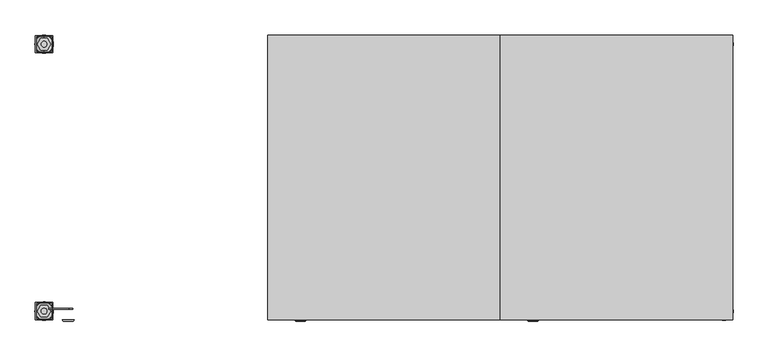
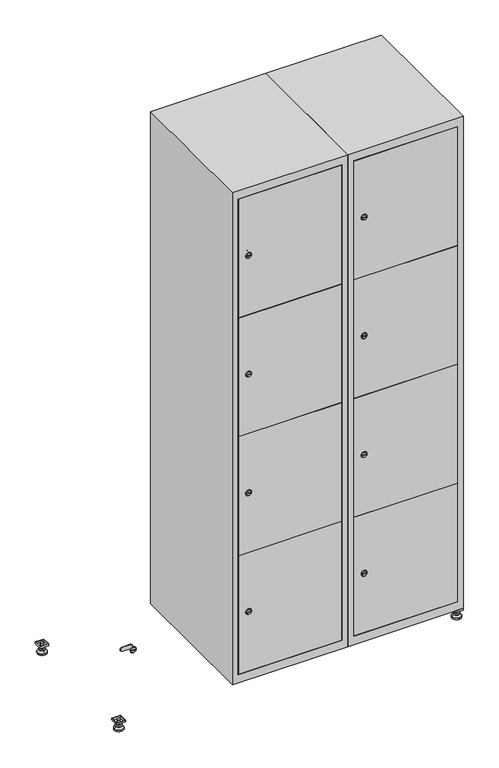
"""IFC4 building model written with IfcOpenShell, lengths in millimetres: furniture geometry."""

from ifc_helpers import new_model, si_unit, point, frame, frame_2d, origin, origin_with_axes, place, context, project, spatial, polyline, circle_curve, trimmed, segment, composite_curve, outline, extrude, faceted_brep, source, transform, mapped, element, save
from ifc_brep_helpers import plane_surface, revolved_surface, advanced_brep


def furniture_d6136ace(model_context):
    return source(origin(), model_context, "Body", "SolidModel", [
        extrude(outline(polyline([(1000.0, 245.0), (1000.0, 215.0), (970.0, 215.0), (970.0, 245.0), (1000.0, 245.0)]), holes=[polyline([(998.0, 243.0), (972.0, 243.0), (972.0, 217.0), (998.0, 217.0), (998.0, 243.0)])]), frame((0.0, 0.0, 28.5), z_axis=(0.0, 0.0, 1.0), x_axis=(1.0, 0.0, 0.0)), (0.0, 0.0, 1.0), 6.5),
        extrude(outline(polyline([(970.0, -245.0), (970.0, -215.0), (1000.0, -215.0), (1000.0, -245.0), (970.0, -245.0)]), holes=[polyline([(972.0, -243.0), (998.0, -243.0), (998.0, -217.0), (972.0, -217.0), (972.0, -243.0)])]), frame((0.0, 0.0, 28.5), z_axis=(0.0, 0.0, 1.0), x_axis=(1.0, 0.0, 0.0)), (0.0, 0.0, 1.0), 6.5),
        extrude(outline(polyline([(-170.0, 245.0), (-170.0, 215.0), (-200.0, 215.0), (-200.0, 245.0), (-170.0, 245.0)]), holes=[polyline([(-172.0, 243.0), (-198.0, 243.0), (-198.0, 217.0), (-172.0, 217.0), (-172.0, 243.0)])]), frame((0.0, 0.0, 28.5), z_axis=(0.0, 0.0, 1.0), x_axis=(1.0, 0.0, 0.0)), (0.0, 0.0, 1.0), 6.5),
        extrude(outline(polyline([(-170.0, -215.0), (-170.0, -245.0), (-200.0, -245.0), (-200.0, -215.0), (-170.0, -215.0)]), holes=[polyline([(-198.0, -243.0), (-172.0, -243.0), (-172.0, -217.0), (-198.0, -217.0), (-198.0, -243.0)])]), frame((0.0, 0.0, 28.5), z_axis=(0.0, 0.0, 1.0), x_axis=(1.0, 0.0, 0.0)), (0.0, 0.0, 1.0), 6.5),
        extrude(outline(composite_curve([segment(trimmed(circle_curve(frame_2d((-185.0, 230.0)), 5.0), [point((-180.0, 230.0))], [point((-190.0, 230.0))], False, "CARTESIAN"), True, "CONTINUOUS"), segment(trimmed(circle_curve(frame_2d((-185.0, 230.0)), 5.0), [point((-190.0, 230.0))], [point((-180.0, 230.0))], False, "CARTESIAN"), True, "CONTINUOUS")], self_intersect=False)), frame((0.0, 0.0, 19.6), z_axis=(0.0, 0.0, 1.0), x_axis=(1.0, 0.0, 0.0)), (0.0, 0.0, 1.0), 15.4),
        extrude(outline(composite_curve([segment(trimmed(circle_curve(frame_2d((-185.0, -230.0)), 5.0), [point((-180.0, -230.0))], [point((-190.0, -230.0))], False, "CARTESIAN"), True, "CONTINUOUS"), segment(trimmed(circle_curve(frame_2d((-185.0, -230.0)), 5.0), [point((-190.0, -230.0))], [point((-180.0, -230.0))], False, "CARTESIAN"), True, "CONTINUOUS")], self_intersect=False)), frame((0.0, 0.0, 19.6), z_axis=(0.0, 0.0, 1.0), x_axis=(1.0, 0.0, 0.0)), (0.0, 0.0, 1.0), 15.4),
        extrude(outline(composite_curve([segment(trimmed(circle_curve(frame_2d((985.0, 230.0)), 5.0), [point((990.0, 230.0))], [point((980.0, 230.0))], False, "CARTESIAN"), True, "CONTINUOUS"), segment(trimmed(circle_curve(frame_2d((985.0, 230.0)), 5.0), [point((980.0, 230.0))], [point((990.0, 230.0))], False, "CARTESIAN"), True, "CONTINUOUS")], self_intersect=False)), frame((0.0, 0.0, 19.6), z_axis=(0.0, 0.0, 1.0), x_axis=(1.0, 0.0, 0.0)), (0.0, 0.0, 1.0), 15.4),
        extrude(outline(polyline([(973.4529946, 230.0), (979.2264973, 240.0), (990.7735027, 240.0), (996.5470054, 230.0), (990.7735027, 220.0), (979.2264973, 220.0), (973.4529946, 230.0)])), frame((0.0, 0.0, 13.6), z_axis=(0.0, 0.0, 1.0), x_axis=(1.0, 0.0, 0.0)), (0.0, 0.0, 1.0), 6.0),
        extrude(outline(composite_curve([segment(trimmed(circle_curve(frame_2d((985.0, -230.0)), 5.0), [point((990.0, -230.0))], [point((980.0, -230.0))], False, "CARTESIAN"), True, "CONTINUOUS"), segment(trimmed(circle_curve(frame_2d((985.0, -230.0)), 5.0), [point((980.0, -230.0))], [point((990.0, -230.0))], False, "CARTESIAN"), True, "CONTINUOUS")], self_intersect=False)), frame((0.0, 0.0, 19.6), z_axis=(0.0, 0.0, 1.0), x_axis=(1.0, 0.0, 0.0)), (0.0, 0.0, 1.0), 15.4),
        extrude(outline(polyline([(973.4529946, -230.0), (979.2264973, -220.0), (990.7735027, -220.0), (996.5470054, -230.0), (990.7735027, -240.0), (979.2264973, -240.0), (973.4529946, -230.0)])), frame((0.0, 0.0, 13.6), z_axis=(0.0, 0.0, 1.0), x_axis=(1.0, 0.0, 0.0)), (0.0, 0.0, 1.0), 6.0),
        extrude(outline(composite_curve([segment(trimmed(circle_curve(frame_2d((985.0, 230.0)), 5.0), [point((990.0, 230.0))], [point((980.0, 230.0))], False, "CARTESIAN"), True, "CONTINUOUS"), segment(trimmed(circle_curve(frame_2d((985.0, 230.0)), 5.0), [point((980.0, 230.0))], [point((990.0, 230.0))], False, "CARTESIAN"), True, "CONTINUOUS")], self_intersect=False)), frame((0.0, 0.0, 12.1), z_axis=(0.0, 0.0, 1.0), x_axis=(1.0, 0.0, 0.0)), (0.0, 0.0, 1.0), 1.5),
        extrude(outline(composite_curve([segment(trimmed(circle_curve(frame_2d((985.0, -230.0)), 5.0), [point((990.0, -230.0))], [point((980.0, -230.0))], False, "CARTESIAN"), True, "CONTINUOUS"), segment(trimmed(circle_curve(frame_2d((985.0, -230.0)), 5.0), [point((980.0, -230.0))], [point((990.0, -230.0))], False, "CARTESIAN"), True, "CONTINUOUS")], self_intersect=False)), frame((0.0, 0.0, 12.1), z_axis=(0.0, 0.0, 1.0), x_axis=(1.0, 0.0, 0.0)), (0.0, 0.0, 1.0), 1.5),
        extrude(outline(polyline([(-196.5470054, 230.0), (-190.7735027, 240.0), (-179.2264973, 240.0), (-173.4529946, 230.0), (-179.2264973, 220.0), (-190.7735027, 220.0), (-196.5470054, 230.0)])), frame((0.0, 0.0, 13.6), z_axis=(0.0, 0.0, 1.0), x_axis=(1.0, 0.0, 0.0)), (0.0, 0.0, 1.0), 6.0),
        extrude(outline(polyline([(-196.5470054, -230.0), (-190.7735027, -220.0), (-179.2264973, -220.0), (-173.4529946, -230.0), (-179.2264973, -240.0), (-190.7735027, -240.0), (-196.5470054, -230.0)])), frame((0.0, 0.0, 13.6), z_axis=(0.0, 0.0, 1.0), x_axis=(1.0, 0.0, 0.0)), (0.0, 0.0, 1.0), 6.0),
        extrude(outline(composite_curve([segment(trimmed(circle_curve(frame_2d((-185.0, 230.0)), 5.0), [point((-185.0, 235.0))], [point((-185.0, 225.0))], False, "CARTESIAN"), True, "CONTINUOUS"), segment(trimmed(circle_curve(frame_2d((-185.0, 230.0)), 5.0), [point((-185.0, 225.0))], [point((-185.0, 235.0))], False, "CARTESIAN"), True, "CONTINUOUS")], self_intersect=False)), frame((0.0, 0.0, 12.1), z_axis=(0.0, 0.0, 1.0), x_axis=(1.0, 0.0, 0.0)), (0.0, 0.0, 1.0), 1.5),
        extrude(outline(composite_curve([segment(trimmed(circle_curve(frame_2d((-185.0, -230.0)), 5.0), [point((-180.0, -230.0))], [point((-190.0, -230.0))], False, "CARTESIAN"), True, "CONTINUOUS"), segment(trimmed(circle_curve(frame_2d((-185.0, -230.0)), 5.0), [point((-190.0, -230.0))], [point((-180.0, -230.0))], False, "CARTESIAN"), True, "CONTINUOUS")], self_intersect=False)), frame((0.0, 0.0, 12.1), z_axis=(0.0, 0.0, 1.0), x_axis=(1.0, 0.0, 0.0)), (0.0, 0.0, 1.0), 1.5),
        extrude(outline(composite_curve([segment(trimmed(circle_curve(frame_2d((985.0, 230.0)), 15.75), [point((1000.75, 230.0))], [point((969.25, 230.0))], False, "CARTESIAN"), True, "CONTINUOUS"), segment(trimmed(circle_curve(frame_2d((985.0, 230.0)), 15.75), [point((969.25, 230.0))], [point((1000.75, 230.0))], False, "CARTESIAN"), True, "CONTINUOUS")], self_intersect=False)), origin_with_axes(), (0.0, 0.0, 1.0), 5.1),
        extrude(outline(composite_curve([segment(trimmed(circle_curve(frame_2d((985.0, -230.0)), 15.75), [point((985.0, -214.25))], [point((985.0, -245.75))], False, "CARTESIAN"), True, "CONTINUOUS"), segment(trimmed(circle_curve(frame_2d((985.0, -230.0)), 15.75), [point((985.0, -245.75))], [point((985.0, -214.25))], False, "CARTESIAN"), True, "CONTINUOUS")], self_intersect=False)), origin_with_axes(), (0.0, 0.0, 1.0), 5.1),
        extrude(outline(composite_curve([segment(trimmed(circle_curve(frame_2d((-185.0, -230.0)), 15.75), [point((-169.25, -230.0))], [point((-200.75, -230.0))], False, "CARTESIAN"), True, "CONTINUOUS"), segment(trimmed(circle_curve(frame_2d((-185.0, -230.0)), 15.75), [point((-200.75, -230.0))], [point((-169.25, -230.0))], False, "CARTESIAN"), True, "CONTINUOUS")], self_intersect=False)), origin_with_axes(), (0.0, 0.0, 1.0), 5.1),
        extrude(outline(composite_curve([segment(trimmed(circle_curve(frame_2d((-185.0, 230.0)), 15.75), [point((-169.25, 230.0))], [point((-200.75, 230.0))], False, "CARTESIAN"), True, "CONTINUOUS"), segment(trimmed(circle_curve(frame_2d((-185.0, 230.0)), 15.75), [point((-200.75, 230.0))], [point((-169.25, 230.0))], False, "CARTESIAN"), True, "CONTINUOUS")], self_intersect=False)), origin_with_axes(), (0.0, 0.0, 1.0), 5.1),
        advanced_brep(
        [(-185.0, 245.75, 5.1), (-185.0, 214.25, 5.1), (-185.0, 239.5, 12.1), (-185.0, 220.5, 12.1)],
        [
            (0, 1, circle_curve(frame((-185.0, 230.0, 5.1), z_axis=(0.0, 0.0, -1.0), x_axis=(0.0, 1.0, 0.0)), 15.75)),
            (1, 0, circle_curve(frame((-185.0, 230.0, 5.1), z_axis=(0.0, 0.0, -1.0), x_axis=(0.0, -1.0, 0.0)), 15.75)),
            (2, 3, circle_curve(frame((-185.0, 230.0, 12.1), z_axis=(0.0, 0.0, 1.0), x_axis=(0.0, -1.0, 0.0)), 9.5)),
            (3, 2, circle_curve(frame((-185.0, 230.0, 12.1), z_axis=(0.0, 0.0, 1.0), x_axis=(0.0, 1.0, 0.0)), 9.5)),
            (3, 1),
            (0, 2),
        ],
        [
            plane_surface(frame((-185.0, 230.0, 5.1), z_axis=(0.0, 0.0, -1.0), x_axis=(1.0, 0.0, 0.0))),
            plane_surface(frame((-185.0, 230.0, 12.1), z_axis=(0.0, 0.0, 1.0), x_axis=(1.0, 0.0, 0.0))),
            revolved_surface(polyline([(-185.0, 220.5, 12.099999999999998), (-185.0, 214.25, 5.099999999999998)]), (-185.0, 230.0, 22.74), (0.0, 0.0, -1.0)),
            revolved_surface(polyline([(-185.0, 239.5, 12.099999999999998), (-185.0, 245.75, 5.099999999999998)]), (-185.0, 230.0, 22.74), (0.0, 0.0, -1.0)),
        ],
        [
            (0, [[1, 2]]),
            (1, [[3, 4]]),
            (2, [[-4, 5, -1, 6]]),
            (3, [[-3, -6, -2, -5]]),
        ],
    ),
        advanced_brep(
        [(985.0, 245.75, 5.1), (985.0, 214.25, 5.1), (985.0, 239.5, 12.1), (985.0, 220.5, 12.1)],
        [
            (0, 1, circle_curve(frame((985.0, 230.0, 5.1), z_axis=(0.0, 0.0, -1.0), x_axis=(0.0, 1.0, 0.0)), 15.75)),
            (1, 0, circle_curve(frame((985.0, 230.0, 5.1), z_axis=(0.0, 0.0, -1.0), x_axis=(0.0, -1.0, 0.0)), 15.75)),
            (2, 3, circle_curve(frame((985.0, 230.0, 12.1), z_axis=(0.0, 0.0, 1.0), x_axis=(0.0, -1.0, 0.0)), 9.5)),
            (3, 2, circle_curve(frame((985.0, 230.0, 12.1), z_axis=(0.0, 0.0, 1.0), x_axis=(0.0, 1.0, 0.0)), 9.5)),
            (3, 1),
            (0, 2),
        ],
        [
            plane_surface(frame((985.0, 230.0, 5.1), z_axis=(0.0, 0.0, -1.0), x_axis=(1.0, 0.0, 0.0))),
            plane_surface(frame((985.0, 230.0, 12.1), z_axis=(0.0, 0.0, 1.0), x_axis=(1.0, 0.0, 0.0))),
            revolved_surface(polyline([(985.0, 220.5, 12.099999999999998), (985.0, 214.25, 5.099999999999998)]), (985.0, 230.0, 22.74), (0.0, 0.0, -1.0)),
            revolved_surface(polyline([(985.0, 239.5, 12.099999999999998), (985.0, 245.75, 5.099999999999998)]), (985.0, 230.0, 22.74), (0.0, 0.0, -1.0)),
        ],
        [
            (0, [[1, 2]]),
            (1, [[3, 4]]),
            (2, [[-4, 5, -1, 6]]),
            (3, [[-3, -6, -2, -5]]),
        ],
    ),
        advanced_brep(
        [(994.5, -230.0, 12.1), (975.5, -230.0, 12.1), (1000.75, -230.0, 5.1), (969.25, -230.0, 5.1)],
        [
            (0, 1, circle_curve(frame((985.0, -230.0, 12.1), z_axis=(0.0, 0.0, 1.0), x_axis=(1.0, 0.0, 0.0)), 9.5)),
            (1, 0, circle_curve(frame((985.0, -230.0, 12.1), z_axis=(0.0, 0.0, 1.0), x_axis=(-1.0, 0.0, 0.0)), 9.5)),
            (2, 3, circle_curve(frame((985.0, -230.0, 5.1), z_axis=(0.0, 0.0, -1.0), x_axis=(-1.0, 0.0, 0.0)), 15.75)),
            (3, 2, circle_curve(frame((985.0, -230.0, 5.1), z_axis=(0.0, 0.0, -1.0), x_axis=(1.0, 0.0, 0.0)), 15.75)),
            (3, 1),
            (0, 2),
        ],
        [
            plane_surface(frame((985.0, -230.0, 12.1), z_axis=(0.0, 0.0, 1.0), x_axis=(0.0, 1.0, 0.0))),
            plane_surface(frame((985.0, -230.0, 5.1), z_axis=(0.0, 0.0, -1.0), x_axis=(0.0, 1.0, 0.0))),
            revolved_surface(polyline([(994.5, -230.0, 12.099999999999998), (1000.75, -230.0, 5.099999999999998)]), (985.0, -230.0, 22.74), (0.0, 0.0, -1.0)),
            revolved_surface(polyline([(975.5, -230.0, 12.099999999999998), (969.25, -230.0, 5.099999999999998)]), (985.0, -230.0, 22.74), (0.0, 0.0, -1.0)),
        ],
        [
            (0, [[1, 2]]),
            (1, [[3, 4]]),
            (2, [[-4, 5, -1, 6]]),
            (3, [[-3, -6, -2, -5]]),
        ],
    ),
        advanced_brep(
        [(-175.5, -230.0, 12.1), (-194.5, -230.0, 12.1), (-169.25, -230.0, 5.1), (-200.75, -230.0, 5.1)],
        [
            (0, 1, circle_curve(frame((-185.0, -230.0, 12.1), z_axis=(0.0, 0.0, 1.0), x_axis=(1.0, 0.0, 0.0)), 9.5)),
            (1, 0, circle_curve(frame((-185.0, -230.0, 12.1), z_axis=(0.0, 0.0, 1.0), x_axis=(-1.0, 0.0, 0.0)), 9.5)),
            (2, 3, circle_curve(frame((-185.0, -230.0, 5.1), z_axis=(0.0, 0.0, -1.0), x_axis=(-1.0, 0.0, 0.0)), 15.75)),
            (3, 2, circle_curve(frame((-185.0, -230.0, 5.1), z_axis=(0.0, 0.0, -1.0), x_axis=(1.0, 0.0, 0.0)), 15.75)),
            (3, 1),
            (0, 2),
        ],
        [
            plane_surface(frame((-185.0, -230.0, 12.1), z_axis=(0.0, 0.0, 1.0), x_axis=(0.0, 1.0, 0.0))),
            plane_surface(frame((-185.0, -230.0, 5.1), z_axis=(0.0, 0.0, -1.0), x_axis=(0.0, 1.0, 0.0))),
            revolved_surface(polyline([(-175.5, -230.0, 12.099999999999998), (-169.25, -230.0, 5.099999999999998)]), (-185.0, -230.0, 22.74), (0.0, 0.0, -1.0)),
            revolved_surface(polyline([(-194.5, -230.0, 12.099999999999998), (-200.75, -230.0, 5.099999999999998)]), (-185.0, -230.0, 22.74), (0.0, 0.0, -1.0)),
        ],
        [
            (0, [[1, 2]]),
            (1, [[3, 4]]),
            (2, [[-4, 5, -1, 6]]),
            (3, [[-3, -6, -2, -5]]),
        ],
    ),
        extrude(outline(composite_curve([segment(trimmed(circle_curve(frame_2d((283.4, 629.6010534)), 7.0), [point((290.4, 629.6010534))], [point((276.4, 629.6010534))], False, "CARTESIAN"), True, "CONTINUOUS"), segment(polyline([(276.4, 629.6010534), (276.4, 657.6010534)]), True, "CONTINUOUS"), segment(trimmed(circle_curve(frame_2d((283.4, 657.6010534)), 7.0), [point((276.4, 657.6010534))], [point((290.4, 657.6010534))], False, "CARTESIAN"), True, "CONTINUOUS"), segment(polyline([(290.4, 657.6010534), (290.4, 629.6010534)]), True, "CONTINUOUS")], self_intersect=False)), frame((0.0, -227.0, 0.0), z_axis=(0.0, 1.0, 0.0), x_axis=(0.0, 0.0, 1.0)), (0.0, 0.0, 1.0), 2.0),
        advanced_brep(
        [(664.9, -247.2, 283.4), (647.9, -247.2, 283.4), (651.4, -247.2, 282.15), (651.4, -247.2, 284.65), (661.4, -247.2, 284.65), (661.4, -247.2, 282.15), (666.9, -245.0, 283.4), (645.9, -245.0, 283.4), (651.4, -245.0, 284.65), (651.4, -245.0, 282.15), (661.4, -245.0, 282.15), (661.4, -245.0, 284.65)],
        [
            (0, 1, circle_curve(frame((656.4, -247.2, 283.4), z_axis=(0.0, -1.0, 0.0), x_axis=(1.0, 0.0, 0.0)), 8.5)),
            (1, 0, circle_curve(frame((656.4, -247.2, 283.4), z_axis=(0.0, -1.0, 0.0), x_axis=(-1.0, 0.0, 0.0)), 8.5)),
            (2, 3),
            (3, 4),
            (4, 5),
            (5, 2),
            (6, 7, circle_curve(frame((656.4, -245.0, 283.4), z_axis=(0.0, 1.0, 0.0), x_axis=(-1.0, 0.0, 0.0)), 10.5)),
            (7, 6, circle_curve(frame((656.4, -245.0, 283.4), z_axis=(0.0, 1.0, 0.0), x_axis=(1.0, 0.0, 0.0)), 10.5)),
            (8, 9),
            (9, 10),
            (10, 11),
            (11, 8),
            (0, 6),
            (7, 1),
            (8, 3),
            (2, 9),
            (11, 4),
            (10, 5),
        ],
        [
            plane_surface(frame((656.4, -247.2, 283.4), z_axis=(0.0, -1.0, 0.0), x_axis=(0.0, 0.0, 1.0))),
            plane_surface(frame((656.4, -245.0, 283.4), z_axis=(0.0, 1.0, 0.0), x_axis=(0.0, 0.0, 1.0))),
            revolved_surface(polyline([(664.9, -247.2, 283.4), (666.9, -245.0, 283.4)]), (656.4, -256.55, 283.4), (0.0, 1.0, 0.0)),
            revolved_surface(polyline([(647.9, -247.2, 283.4), (645.9, -245.0, 283.4)]), (656.4, -256.55, 283.4), (0.0, 1.0, 0.0)),
            plane_surface(frame((651.4, -245.0, 282.15), z_axis=(1.0, 0.0, 0.0), x_axis=(0.0, -1.0, 0.0))),
            plane_surface(frame((651.4, -245.0, 284.65), z_axis=(0.0, 0.0, -1.0), x_axis=(0.0, -1.0, 0.0))),
            plane_surface(frame((661.4, -245.0, 284.65), z_axis=(-1.0, 0.0, 0.0), x_axis=(0.0, -1.0, 0.0))),
            plane_surface(frame((661.4, -245.0, 282.15), z_axis=(0.0, 0.0, 1.0), x_axis=(0.0, -1.0, 0.0))),
        ],
        [
            (0, [[1, 2], [3, 4, 5, 6]]),
            (1, [[7, 8], [9, 10, 11, 12]]),
            (2, [[-1, 13, -8, 14]]),
            (3, [[-2, -14, -7, -13]]),
            (4, [[15, -3, 16, -9]]),
            (5, [[-15, -12, 17, -4]]),
            (6, [[-17, -11, 18, -5]]),
            (7, [[-16, -6, -18, -10]]),
        ],
    ),
        extrude(outline(composite_curve([segment(trimmed(circle_curve(frame_2d((717.8, 629.6010534)), 7.0), [point((724.8, 629.6010534))], [point((710.8, 629.6010534))], False, "CARTESIAN"), True, "CONTINUOUS"), segment(polyline([(710.8, 629.6010534), (710.8, 657.6010534)]), True, "CONTINUOUS"), segment(trimmed(circle_curve(frame_2d((717.8, 657.6010534)), 7.0), [point((710.8, 657.6010534))], [point((724.8, 657.6010534))], False, "CARTESIAN"), True, "CONTINUOUS"), segment(polyline([(724.8, 657.6010534), (724.8, 629.6010534)]), True, "CONTINUOUS")], self_intersect=False)), frame((0.0, -227.0, 0.0), z_axis=(0.0, 1.0, 0.0), x_axis=(0.0, 0.0, 1.0)), (0.0, 0.0, 1.0), 2.0),
        advanced_brep(
        [(664.9, -247.2, 717.8), (647.9, -247.2, 717.8), (651.4, -247.2, 716.55), (651.4, -247.2, 719.05), (661.4, -247.2, 719.05), (661.4, -247.2, 716.55), (666.9, -245.0, 717.8), (645.9, -245.0, 717.8), (651.4, -245.0, 719.05), (651.4, -245.0, 716.55), (661.4, -245.0, 716.55), (661.4, -245.0, 719.05)],
        [
            (0, 1, circle_curve(frame((656.4, -247.2, 717.8), z_axis=(0.0, -1.0, 0.0), x_axis=(1.0, 0.0, 0.0)), 8.5)),
            (1, 0, circle_curve(frame((656.4, -247.2, 717.8), z_axis=(0.0, -1.0, 0.0), x_axis=(-1.0, 0.0, 0.0)), 8.5)),
            (2, 3),
            (3, 4),
            (4, 5),
            (5, 2),
            (6, 7, circle_curve(frame((656.4, -245.0, 717.8), z_axis=(0.0, 1.0, 0.0), x_axis=(-1.0, 0.0, 0.0)), 10.5)),
            (7, 6, circle_curve(frame((656.4, -245.0, 717.8), z_axis=(0.0, 1.0, 0.0), x_axis=(1.0, 0.0, 0.0)), 10.5)),
            (8, 9),
            (9, 10),
            (10, 11),
            (11, 8),
            (0, 6),
            (7, 1),
            (8, 3),
            (2, 9),
            (11, 4),
            (10, 5),
        ],
        [
            plane_surface(frame((656.4, -247.2, 717.8), z_axis=(0.0, -1.0, 0.0), x_axis=(0.0, 0.0, 1.0))),
            plane_surface(frame((656.4, -245.0, 717.8), z_axis=(0.0, 1.0, 0.0), x_axis=(0.0, 0.0, 1.0))),
            revolved_surface(polyline([(664.9, -247.2, 717.8), (666.9, -245.0, 717.8)]), (656.4, -256.55, 717.8), (0.0, 1.0, 0.0)),
            revolved_surface(polyline([(647.9, -247.2, 717.8), (645.9, -245.0, 717.8)]), (656.4, -256.55, 717.8), (0.0, 1.0, 0.0)),
            plane_surface(frame((651.4, -245.0, 716.55), z_axis=(1.0, 0.0, 0.0), x_axis=(0.0, -1.0, 0.0))),
            plane_surface(frame((651.4, -245.0, 719.05), z_axis=(0.0, 0.0, -1.0), x_axis=(0.0, -1.0, 0.0))),
            plane_surface(frame((661.4, -245.0, 719.05), z_axis=(-1.0, 0.0, 0.0), x_axis=(0.0, -1.0, 0.0))),
            plane_surface(frame((661.4, -245.0, 716.55), z_axis=(0.0, 0.0, 1.0), x_axis=(0.0, -1.0, 0.0))),
        ],
        [
            (0, [[1, 2], [3, 4, 5, 6]]),
            (1, [[7, 8], [9, 10, 11, 12]]),
            (2, [[-1, 13, -8, 14]]),
            (3, [[-2, -14, -7, -13]]),
            (4, [[15, -3, 16, -9]]),
            (5, [[-15, -12, 17, -4]]),
            (6, [[-17, -11, 18, -5]]),
            (7, [[-16, -6, -18, -10]]),
        ],
    ),
        extrude(outline(composite_curve([segment(trimmed(circle_curve(frame_2d((1152.2, 629.6010534)), 7.0), [point((1159.2, 629.6010534))], [point((1145.2, 629.6010534))], False, "CARTESIAN"), True, "CONTINUOUS"), segment(polyline([(1145.2, 629.6010534), (1145.2, 657.6010534)]), True, "CONTINUOUS"), segment(trimmed(circle_curve(frame_2d((1152.2, 657.6010534)), 7.0), [point((1145.2, 657.6010534))], [point((1159.2, 657.6010534))], False, "CARTESIAN"), True, "CONTINUOUS"), segment(polyline([(1159.2, 657.6010534), (1159.2, 629.6010534)]), True, "CONTINUOUS")], self_intersect=False)), frame((0.0, -227.0, 0.0), z_axis=(0.0, 1.0, 0.0), x_axis=(0.0, 0.0, 1.0)), (0.0, 0.0, 1.0), 2.0),
        advanced_brep(
        [(664.9, -247.2, 1152.2), (647.9, -247.2, 1152.2), (651.4, -247.2, 1150.95), (651.4, -247.2, 1153.45), (661.4, -247.2, 1153.45), (661.4, -247.2, 1150.95), (666.9, -245.0, 1152.2), (645.9, -245.0, 1152.2), (651.4, -245.0, 1153.45), (651.4, -245.0, 1150.95), (661.4, -245.0, 1150.95), (661.4, -245.0, 1153.45)],
        [
            (0, 1, circle_curve(frame((656.4, -247.2, 1152.2), z_axis=(0.0, -1.0, 0.0), x_axis=(1.0, 0.0, 0.0)), 8.5)),
            (1, 0, circle_curve(frame((656.4, -247.2, 1152.2), z_axis=(0.0, -1.0, 0.0), x_axis=(-1.0, 0.0, 0.0)), 8.5)),
            (2, 3),
            (3, 4),
            (4, 5),
            (5, 2),
            (6, 7, circle_curve(frame((656.4, -245.0, 1152.2), z_axis=(0.0, 1.0, 0.0), x_axis=(-1.0, 0.0, 0.0)), 10.5)),
            (7, 6, circle_curve(frame((656.4, -245.0, 1152.2), z_axis=(0.0, 1.0, 0.0), x_axis=(1.0, 0.0, 0.0)), 10.5)),
            (8, 9),
            (9, 10),
            (10, 11),
            (11, 8),
            (0, 6),
            (7, 1),
            (8, 3),
            (2, 9),
            (11, 4),
            (10, 5),
        ],
        [
            plane_surface(frame((656.4, -247.2, 1152.2), z_axis=(0.0, -1.0, 0.0), x_axis=(0.0, 0.0, 1.0))),
            plane_surface(frame((656.4, -245.0, 1152.2), z_axis=(0.0, 1.0, 0.0), x_axis=(0.0, 0.0, 1.0))),
            revolved_surface(polyline([(664.9, -247.2, 1152.2), (666.9, -245.0, 1152.2)]), (656.4, -256.55, 1152.2), (0.0, 1.0, 0.0)),
            revolved_surface(polyline([(647.9, -247.2, 1152.2), (645.9, -245.0, 1152.2)]), (656.4, -256.55, 1152.2), (0.0, 1.0, 0.0)),
            plane_surface(frame((651.4, -245.0, 1150.95), z_axis=(1.0, 0.0, 0.0), x_axis=(0.0, -1.0, 0.0))),
            plane_surface(frame((651.4, -245.0, 1153.45), z_axis=(0.0, 0.0, -1.0), x_axis=(0.0, -1.0, 0.0))),
            plane_surface(frame((661.4, -245.0, 1153.45), z_axis=(-1.0, 0.0, 0.0), x_axis=(0.0, -1.0, 0.0))),
            plane_surface(frame((661.4, -245.0, 1150.95), z_axis=(0.0, 0.0, 1.0), x_axis=(0.0, -1.0, 0.0))),
        ],
        [
            (0, [[1, 2], [3, 4, 5, 6]]),
            (1, [[7, 8], [9, 10, 11, 12]]),
            (2, [[-1, 13, -8, 14]]),
            (3, [[-2, -14, -7, -13]]),
            (4, [[15, -3, 16, -9]]),
            (5, [[-15, -12, 17, -4]]),
            (6, [[-17, -11, 18, -5]]),
            (7, [[-16, -6, -18, -10]]),
        ],
    ),
        extrude(outline(composite_curve([segment(trimmed(circle_curve(frame_2d((1586.6, 629.6010534)), 7.0), [point((1593.6, 629.6010534))], [point((1579.6, 629.6010534))], False, "CARTESIAN"), True, "CONTINUOUS"), segment(polyline([(1579.6, 629.6010534), (1579.6, 657.6010534)]), True, "CONTINUOUS"), segment(trimmed(circle_curve(frame_2d((1586.6, 657.6010534)), 7.0), [point((1579.6, 657.6010534))], [point((1593.6, 657.6010534))], False, "CARTESIAN"), True, "CONTINUOUS"), segment(polyline([(1593.6, 657.6010534), (1593.6, 629.6010534)]), True, "CONTINUOUS")], self_intersect=False)), frame((0.0, -227.0, 0.0), z_axis=(0.0, 1.0, 0.0), x_axis=(0.0, 0.0, 1.0)), (0.0, 0.0, 1.0), 2.0),
        advanced_brep(
        [(664.9, -247.2, 1586.6), (647.9, -247.2, 1586.6), (651.4, -247.2, 1585.35), (651.4, -247.2, 1587.85), (661.4, -247.2, 1587.85), (661.4, -247.2, 1585.35), (666.9, -245.0, 1586.6), (645.9, -245.0, 1586.6), (651.4, -245.0, 1587.85), (651.4, -245.0, 1585.35), (661.4, -245.0, 1585.35), (661.4, -245.0, 1587.85)],
        [
            (0, 1, circle_curve(frame((656.4, -247.2, 1586.6), z_axis=(0.0, -1.0, 0.0), x_axis=(1.0, 0.0, 0.0)), 8.5)),
            (1, 0, circle_curve(frame((656.4, -247.2, 1586.6), z_axis=(0.0, -1.0, 0.0), x_axis=(-1.0, 0.0, 0.0)), 8.5)),
            (2, 3),
            (3, 4),
            (4, 5),
            (5, 2),
            (6, 7, circle_curve(frame((656.4, -245.0, 1586.6), z_axis=(0.0, 1.0, 0.0), x_axis=(-1.0, 0.0, 0.0)), 10.5)),
            (7, 6, circle_curve(frame((656.4, -245.0, 1586.6), z_axis=(0.0, 1.0, 0.0), x_axis=(1.0, 0.0, 0.0)), 10.5)),
            (8, 9),
            (9, 10),
            (10, 11),
            (11, 8),
            (0, 6),
            (7, 1),
            (8, 3),
            (2, 9),
            (11, 4),
            (10, 5),
        ],
        [
            plane_surface(frame((656.4, -247.2, 1586.6), z_axis=(0.0, -1.0, 0.0), x_axis=(0.0, 0.0, 1.0))),
            plane_surface(frame((656.4, -245.0, 1586.6), z_axis=(0.0, 1.0, 0.0), x_axis=(0.0, 0.0, 1.0))),
            revolved_surface(polyline([(664.9, -247.2, 1586.6), (666.9, -245.0, 1586.6)]), (656.4, -256.55, 1586.6), (0.0, 1.0, 0.0)),
            revolved_surface(polyline([(647.9, -247.2, 1586.6), (645.9, -245.0, 1586.6)]), (656.4, -256.55, 1586.6), (0.0, 1.0, 0.0)),
            plane_surface(frame((651.4, -245.0, 1585.35), z_axis=(1.0, 0.0, 0.0), x_axis=(0.0, -1.0, 0.0))),
            plane_surface(frame((651.4, -245.0, 1587.85), z_axis=(0.0, 0.0, -1.0), x_axis=(0.0, -1.0, 0.0))),
            plane_surface(frame((661.4, -245.0, 1587.85), z_axis=(-1.0, 0.0, 0.0), x_axis=(0.0, -1.0, 0.0))),
            plane_surface(frame((661.4, -245.0, 1585.35), z_axis=(0.0, 0.0, 1.0), x_axis=(0.0, -1.0, 0.0))),
        ],
        [
            (0, [[1, 2], [3, 4, 5, 6]]),
            (1, [[7, 8], [9, 10, 11, 12]]),
            (2, [[-1, 13, -8, 14]]),
            (3, [[-2, -14, -7, -13]]),
            (4, [[15, -3, 16, -9]]),
            (5, [[-15, -12, 17, -4]]),
            (6, [[-17, -11, 18, -5]]),
            (7, [[-16, -6, -18, -10]]),
        ],
    ),
        extrude(outline(polyline([(978.6, -227.0), (978.6, -245.0), (621.4, -245.0), (621.4, -227.0), (978.6, -227.0)])), frame((0.0, 0.0, 500.1), z_axis=(0.0, 0.0, 1.0), x_axis=(1.0, 0.0, 0.0)), (0.0, 0.0, 1.0), 434.4),
        extrude(outline(polyline([(978.6, -227.0), (978.6, -245.0), (621.4, -245.0), (621.4, -227.0), (978.6, -227.0)])), frame((0.0, 0.0, 935.5), z_axis=(0.0, 0.0, 1.0), x_axis=(1.0, 0.0, 0.0)), (0.0, 0.0, 1.0), 433.4),
        extrude(outline(polyline([(621.4, -245.0), (621.4, -227.0), (978.6, -227.0), (978.6, -245.0), (621.4, -245.0)])), frame((0.0, 0.0, 1369.9), z_axis=(0.0, 0.0, 1.0), x_axis=(1.0, 0.0, 0.0)), (0.0, 0.0, 1.0), 433.9),
        extrude(outline(polyline([(978.6, -227.0), (978.6, -245.0), (621.4, -245.0), (621.4, -227.0), (978.6, -227.0)])), frame((0.0, 0.0, 66.2), z_axis=(0.0, 0.0, 1.0), x_axis=(1.0, 0.0, 0.0)), (0.0, 0.0, 1.0), 434.9),
        extrude(outline(polyline([(979.6, 242.0), (979.6, -227.0), (620.4, -227.0), (620.4, 242.0), (979.6, 242.0)])), frame((0.0, 0.0, 1359.7), z_axis=(0.0, 0.0, 1.0), x_axis=(1.0, 0.0, 0.0)), (0.0, 0.0, 1.0), 20.4),
        extrude(outline(polyline([(979.6, 242.0), (979.6, -227.0), (620.4, -227.0), (620.4, 242.0), (979.6, 242.0)])), frame((0.0, 0.0, 924.8), z_axis=(0.0, 0.0, 1.0), x_axis=(1.0, 0.0, 0.0)), (0.0, 0.0, 1.0), 20.4),
        extrude(outline(polyline([(979.6, 242.0), (979.6, -227.0), (620.4, -227.0), (620.4, 242.0), (979.6, 242.0)])), frame((0.0, 0.0, 489.9), z_axis=(0.0, 0.0, 1.0), x_axis=(1.0, 0.0, 0.0)), (0.0, 0.0, 1.0), 20.4),
        faceted_brep([(1000.0, -245.0, 35.0), (1000.0, -245.0, 1835.0), (600.0, -245.0, 1835.0), (600.0, -245.0, 35.0), (979.6, -245.0, 1804.8), (979.6, -245.0, 65.2), (620.4, -245.0, 65.2), (620.4, -245.0, 1804.8), (1000.0, 245.0, 35.0), (600.0, 245.0, 35.0), (1000.0, 245.0, 1835.0), (600.0, 245.0, 1835.0), (979.6, 242.0, 1804.8), (979.6, 242.0, 65.2), (600.0, 245.0, 1804.8), (620.4, 242.0, 1804.8), (620.4, 242.0, 65.2)], [[[0, 1, 2, 3], [4, 5, 6, 7]], [[8, 0, 3, 9]], [[1, 0, 8, 10]], [[1, 10, 11, 2]], [[4, 12, 13, 5]], [[9, 3, 2, 11, 14]], [[10, 8, 9, 14, 11]], [[12, 15, 16, 13]], [[15, 7, 6, 16]], [[4, 7, 15, 12]], [[6, 5, 13, 16]]]),
        extrude(outline(composite_curve([segment(trimmed(circle_curve(frame_2d((283.4, 229.6010534)), 7.0), [point((290.4, 229.6010534))], [point((276.4, 229.6010534))], False, "CARTESIAN"), True, "CONTINUOUS"), segment(polyline([(276.4, 229.6010534), (276.4, 257.6010534)]), True, "CONTINUOUS"), segment(trimmed(circle_curve(frame_2d((283.4, 257.6010534)), 7.0), [point((276.4, 257.6010534))], [point((290.4, 257.6010534))], False, "CARTESIAN"), True, "CONTINUOUS"), segment(polyline([(290.4, 257.6010534), (290.4, 229.6010534)]), True, "CONTINUOUS")], self_intersect=False)), frame((0.0, -227.0, 0.0), z_axis=(0.0, 1.0, 0.0), x_axis=(0.0, 0.0, 1.0)), (0.0, 0.0, 1.0), 2.0),
        advanced_brep(
        [(264.9, -247.2, 283.4), (247.9, -247.2, 283.4), (251.4, -247.2, 282.15), (251.4, -247.2, 284.65), (261.4, -247.2, 284.65), (261.4, -247.2, 282.15), (266.9, -245.0, 283.4), (245.9, -245.0, 283.4), (251.4, -245.0, 284.65), (251.4, -245.0, 282.15), (261.4, -245.0, 282.15), (261.4, -245.0, 284.65)],
        [
            (0, 1, circle_curve(frame((256.4, -247.2, 283.4), z_axis=(0.0, -1.0, 0.0), x_axis=(1.0, 0.0, 0.0)), 8.5)),
            (1, 0, circle_curve(frame((256.4, -247.2, 283.4), z_axis=(0.0, -1.0, 0.0), x_axis=(-1.0, 0.0, 0.0)), 8.5)),
            (2, 3),
            (3, 4),
            (4, 5),
            (5, 2),
            (6, 7, circle_curve(frame((256.4, -245.0, 283.4), z_axis=(0.0, 1.0, 0.0), x_axis=(-1.0, 0.0, 0.0)), 10.5)),
            (7, 6, circle_curve(frame((256.4, -245.0, 283.4), z_axis=(0.0, 1.0, 0.0), x_axis=(1.0, 0.0, 0.0)), 10.5)),
            (8, 9),
            (9, 10),
            (10, 11),
            (11, 8),
            (0, 6),
            (7, 1),
            (8, 3),
            (2, 9),
            (11, 4),
            (10, 5),
        ],
        [
            plane_surface(frame((256.4, -247.2, 283.4), z_axis=(0.0, -1.0, 0.0), x_axis=(0.0, 0.0, 1.0))),
            plane_surface(frame((256.4, -245.0, 283.4), z_axis=(0.0, 1.0, 0.0), x_axis=(0.0, 0.0, 1.0))),
            revolved_surface(polyline([(264.9, -247.2, 283.4), (266.9, -245.0, 283.4)]), (256.4, -256.55, 283.4), (0.0, 1.0, 0.0)),
            revolved_surface(polyline([(247.89999999999998, -247.2, 283.4), (245.9, -245.0, 283.4)]), (256.4, -256.55, 283.4), (0.0, 1.0, 0.0)),
            plane_surface(frame((251.4, -245.0, 282.15), z_axis=(1.0, 0.0, 0.0), x_axis=(0.0, -1.0, 0.0))),
            plane_surface(frame((251.4, -245.0, 284.65), z_axis=(0.0, 0.0, -1.0), x_axis=(0.0, -1.0, 0.0))),
            plane_surface(frame((261.4, -245.0, 284.65), z_axis=(-1.0, 0.0, 0.0), x_axis=(0.0, -1.0, 0.0))),
            plane_surface(frame((261.4, -245.0, 282.15), z_axis=(0.0, 0.0, 1.0), x_axis=(0.0, -1.0, 0.0))),
        ],
        [
            (0, [[1, 2], [3, 4, 5, 6]]),
            (1, [[7, 8], [9, 10, 11, 12]]),
            (2, [[-1, 13, -8, 14]]),
            (3, [[-2, -14, -7, -13]]),
            (4, [[15, -3, 16, -9]]),
            (5, [[-15, -12, 17, -4]]),
            (6, [[-17, -11, 18, -5]]),
            (7, [[-16, -6, -18, -10]]),
        ],
    ),
        extrude(outline(composite_curve([segment(trimmed(circle_curve(frame_2d((717.8, 229.6010534)), 7.0), [point((724.8, 229.6010534))], [point((710.8, 229.6010534))], False, "CARTESIAN"), True, "CONTINUOUS"), segment(polyline([(710.8, 229.6010534), (710.8, 257.6010534)]), True, "CONTINUOUS"), segment(trimmed(circle_curve(frame_2d((717.8, 257.6010534)), 7.0), [point((710.8, 257.6010534))], [point((724.8, 257.6010534))], False, "CARTESIAN"), True, "CONTINUOUS"), segment(polyline([(724.8, 257.6010534), (724.8, 229.6010534)]), True, "CONTINUOUS")], self_intersect=False)), frame((0.0, -227.0, 0.0), z_axis=(0.0, 1.0, 0.0), x_axis=(0.0, 0.0, 1.0)), (0.0, 0.0, 1.0), 2.0),
        advanced_brep(
        [(264.9, -247.2, 717.8), (247.9, -247.2, 717.8), (251.4, -247.2, 716.55), (251.4, -247.2, 719.05), (261.4, -247.2, 719.05), (261.4, -247.2, 716.55), (266.9, -245.0, 717.8), (245.9, -245.0, 717.8), (251.4, -245.0, 719.05), (251.4, -245.0, 716.55), (261.4, -245.0, 716.55), (261.4, -245.0, 719.05)],
        [
            (0, 1, circle_curve(frame((256.4, -247.2, 717.8), z_axis=(0.0, -1.0, 0.0), x_axis=(1.0, 0.0, 0.0)), 8.5)),
            (1, 0, circle_curve(frame((256.4, -247.2, 717.8), z_axis=(0.0, -1.0, 0.0), x_axis=(-1.0, 0.0, 0.0)), 8.5)),
            (2, 3),
            (3, 4),
            (4, 5),
            (5, 2),
            (6, 7, circle_curve(frame((256.4, -245.0, 717.8), z_axis=(0.0, 1.0, 0.0), x_axis=(-1.0, 0.0, 0.0)), 10.5)),
            (7, 6, circle_curve(frame((256.4, -245.0, 717.8), z_axis=(0.0, 1.0, 0.0), x_axis=(1.0, 0.0, 0.0)), 10.5)),
            (8, 9),
            (9, 10),
            (10, 11),
            (11, 8),
            (0, 6),
            (7, 1),
            (8, 3),
            (2, 9),
            (11, 4),
            (10, 5),
        ],
        [
            plane_surface(frame((256.4, -247.2, 717.8), z_axis=(0.0, -1.0, 0.0), x_axis=(0.0, 0.0, 1.0))),
            plane_surface(frame((256.4, -245.0, 717.8), z_axis=(0.0, 1.0, 0.0), x_axis=(0.0, 0.0, 1.0))),
            revolved_surface(polyline([(264.9, -247.2, 717.8), (266.9, -245.0, 717.8)]), (256.4, -256.55, 717.8), (0.0, 1.0, 0.0)),
            revolved_surface(polyline([(247.89999999999998, -247.2, 717.8), (245.9, -245.0, 717.8)]), (256.4, -256.55, 717.8), (0.0, 1.0, 0.0)),
            plane_surface(frame((251.4, -245.0, 716.55), z_axis=(1.0, 0.0, 0.0), x_axis=(0.0, -1.0, 0.0))),
            plane_surface(frame((251.4, -245.0, 719.05), z_axis=(0.0, 0.0, -1.0), x_axis=(0.0, -1.0, 0.0))),
            plane_surface(frame((261.4, -245.0, 719.05), z_axis=(-1.0, 0.0, 0.0), x_axis=(0.0, -1.0, 0.0))),
            plane_surface(frame((261.4, -245.0, 716.55), z_axis=(0.0, 0.0, 1.0), x_axis=(0.0, -1.0, 0.0))),
        ],
        [
            (0, [[1, 2], [3, 4, 5, 6]]),
            (1, [[7, 8], [9, 10, 11, 12]]),
            (2, [[-1, 13, -8, 14]]),
            (3, [[-2, -14, -7, -13]]),
            (4, [[15, -3, 16, -9]]),
            (5, [[-15, -12, 17, -4]]),
            (6, [[-17, -11, 18, -5]]),
            (7, [[-16, -6, -18, -10]]),
        ],
    ),
        extrude(outline(composite_curve([segment(trimmed(circle_curve(frame_2d((1152.2, 229.6010534)), 7.0), [point((1159.2, 229.6010534))], [point((1145.2, 229.6010534))], False, "CARTESIAN"), True, "CONTINUOUS"), segment(polyline([(1145.2, 229.6010534), (1145.2, 257.6010534)]), True, "CONTINUOUS"), segment(trimmed(circle_curve(frame_2d((1152.2, 257.6010534)), 7.0), [point((1145.2, 257.6010534))], [point((1159.2, 257.6010534))], False, "CARTESIAN"), True, "CONTINUOUS"), segment(polyline([(1159.2, 257.6010534), (1159.2, 229.6010534)]), True, "CONTINUOUS")], self_intersect=False)), frame((0.0, -227.0, 0.0), z_axis=(0.0, 1.0, 0.0), x_axis=(0.0, 0.0, 1.0)), (0.0, 0.0, 1.0), 2.0),
        advanced_brep(
        [(264.9, -247.2, 1152.2), (247.9, -247.2, 1152.2), (251.4, -247.2, 1150.95), (251.4, -247.2, 1153.45), (261.4, -247.2, 1153.45), (261.4, -247.2, 1150.95), (266.9, -245.0, 1152.2), (245.9, -245.0, 1152.2), (251.4, -245.0, 1153.45), (251.4, -245.0, 1150.95), (261.4, -245.0, 1150.95), (261.4, -245.0, 1153.45)],
        [
            (0, 1, circle_curve(frame((256.4, -247.2, 1152.2), z_axis=(0.0, -1.0, 0.0), x_axis=(1.0, 0.0, 0.0)), 8.5)),
            (1, 0, circle_curve(frame((256.4, -247.2, 1152.2), z_axis=(0.0, -1.0, 0.0), x_axis=(-1.0, 0.0, 0.0)), 8.5)),
            (2, 3),
            (3, 4),
            (4, 5),
            (5, 2),
            (6, 7, circle_curve(frame((256.4, -245.0, 1152.2), z_axis=(0.0, 1.0, 0.0), x_axis=(-1.0, 0.0, 0.0)), 10.5)),
            (7, 6, circle_curve(frame((256.4, -245.0, 1152.2), z_axis=(0.0, 1.0, 0.0), x_axis=(1.0, 0.0, 0.0)), 10.5)),
            (8, 9),
            (9, 10),
            (10, 11),
            (11, 8),
            (0, 6),
            (7, 1),
            (8, 3),
            (2, 9),
            (11, 4),
            (10, 5),
        ],
        [
            plane_surface(frame((256.4, -247.2, 1152.2), z_axis=(0.0, -1.0, 0.0), x_axis=(0.0, 0.0, 1.0))),
            plane_surface(frame((256.4, -245.0, 1152.2), z_axis=(0.0, 1.0, 0.0), x_axis=(0.0, 0.0, 1.0))),
            revolved_surface(polyline([(264.9, -247.2, 1152.2), (266.9, -245.0, 1152.2)]), (256.4, -256.55, 1152.2), (0.0, 1.0, 0.0)),
            revolved_surface(polyline([(247.89999999999998, -247.2, 1152.2), (245.9, -245.0, 1152.2)]), (256.4, -256.55, 1152.2), (0.0, 1.0, 0.0)),
            plane_surface(frame((251.4, -245.0, 1150.95), z_axis=(1.0, 0.0, 0.0), x_axis=(0.0, -1.0, 0.0))),
            plane_surface(frame((251.4, -245.0, 1153.45), z_axis=(0.0, 0.0, -1.0), x_axis=(0.0, -1.0, 0.0))),
            plane_surface(frame((261.4, -245.0, 1153.45), z_axis=(-1.0, 0.0, 0.0), x_axis=(0.0, -1.0, 0.0))),
            plane_surface(frame((261.4, -245.0, 1150.95), z_axis=(0.0, 0.0, 1.0), x_axis=(0.0, -1.0, 0.0))),
        ],
        [
            (0, [[1, 2], [3, 4, 5, 6]]),
            (1, [[7, 8], [9, 10, 11, 12]]),
            (2, [[-1, 13, -8, 14]]),
            (3, [[-2, -14, -7, -13]]),
            (4, [[15, -3, 16, -9]]),
            (5, [[-15, -12, 17, -4]]),
            (6, [[-17, -11, 18, -5]]),
            (7, [[-16, -6, -18, -10]]),
        ],
    ),
        extrude(outline(composite_curve([segment(trimmed(circle_curve(frame_2d((1586.6, 229.6010534)), 7.0), [point((1593.6, 229.6010534))], [point((1579.6, 229.6010534))], False, "CARTESIAN"), True, "CONTINUOUS"), segment(polyline([(1579.6, 229.6010534), (1579.6, 257.6010534)]), True, "CONTINUOUS"), segment(trimmed(circle_curve(frame_2d((1586.6, 257.6010534)), 7.0), [point((1579.6, 257.6010534))], [point((1593.6, 257.6010534))], False, "CARTESIAN"), True, "CONTINUOUS"), segment(polyline([(1593.6, 257.6010534), (1593.6, 229.6010534)]), True, "CONTINUOUS")], self_intersect=False)), frame((0.0, -227.0, 0.0), z_axis=(0.0, 1.0, 0.0), x_axis=(0.0, 0.0, 1.0)), (0.0, 0.0, 1.0), 2.0),
        advanced_brep(
        [(264.9, -247.2, 1586.6), (247.9, -247.2, 1586.6), (251.4, -247.2, 1585.35), (251.4, -247.2, 1587.85), (261.4, -247.2, 1587.85), (261.4, -247.2, 1585.35), (266.9, -245.0, 1586.6), (245.9, -245.0, 1586.6), (251.4, -245.0, 1587.85), (251.4, -245.0, 1585.35), (261.4, -245.0, 1585.35), (261.4, -245.0, 1587.85)],
        [
            (0, 1, circle_curve(frame((256.4, -247.2, 1586.6), z_axis=(0.0, -1.0, 0.0), x_axis=(1.0, 0.0, 0.0)), 8.5)),
            (1, 0, circle_curve(frame((256.4, -247.2, 1586.6), z_axis=(0.0, -1.0, 0.0), x_axis=(-1.0, 0.0, 0.0)), 8.5)),
            (2, 3),
            (3, 4),
            (4, 5),
            (5, 2),
            (6, 7, circle_curve(frame((256.4, -245.0, 1586.6), z_axis=(0.0, 1.0, 0.0), x_axis=(-1.0, 0.0, 0.0)), 10.5)),
            (7, 6, circle_curve(frame((256.4, -245.0, 1586.6), z_axis=(0.0, 1.0, 0.0), x_axis=(1.0, 0.0, 0.0)), 10.5)),
            (8, 9),
            (9, 10),
            (10, 11),
            (11, 8),
            (0, 6),
            (7, 1),
            (8, 3),
            (2, 9),
            (11, 4),
            (10, 5),
        ],
        [
            plane_surface(frame((256.4, -247.2, 1586.6), z_axis=(0.0, -1.0, 0.0), x_axis=(0.0, 0.0, 1.0))),
            plane_surface(frame((256.4, -245.0, 1586.6), z_axis=(0.0, 1.0, 0.0), x_axis=(0.0, 0.0, 1.0))),
            revolved_surface(polyline([(264.9, -247.2, 1586.6), (266.9, -245.0, 1586.6)]), (256.4, -256.55, 1586.6), (0.0, 1.0, 0.0)),
            revolved_surface(polyline([(247.89999999999998, -247.2, 1586.6), (245.9, -245.0, 1586.6)]), (256.4, -256.55, 1586.6), (0.0, 1.0, 0.0)),
            plane_surface(frame((251.4, -245.0, 1585.35), z_axis=(1.0, 0.0, 0.0), x_axis=(0.0, -1.0, 0.0))),
            plane_surface(frame((251.4, -245.0, 1587.85), z_axis=(0.0, 0.0, -1.0), x_axis=(0.0, -1.0, 0.0))),
            plane_surface(frame((261.4, -245.0, 1587.85), z_axis=(-1.0, 0.0, 0.0), x_axis=(0.0, -1.0, 0.0))),
            plane_surface(frame((261.4, -245.0, 1585.35), z_axis=(0.0, 0.0, 1.0), x_axis=(0.0, -1.0, 0.0))),
        ],
        [
            (0, [[1, 2], [3, 4, 5, 6]]),
            (1, [[7, 8], [9, 10, 11, 12]]),
            (2, [[-1, 13, -8, 14]]),
            (3, [[-2, -14, -7, -13]]),
            (4, [[15, -3, 16, -9]]),
            (5, [[-15, -12, 17, -4]]),
            (6, [[-17, -11, 18, -5]]),
            (7, [[-16, -6, -18, -10]]),
        ],
    ),
        extrude(outline(polyline([(578.6, -227.0), (578.6, -245.0), (221.4, -245.0), (221.4, -227.0), (578.6, -227.0)])), frame((0.0, 0.0, 500.1), z_axis=(0.0, 0.0, 1.0), x_axis=(1.0, 0.0, 0.0)), (0.0, 0.0, 1.0), 434.4),
        extrude(outline(polyline([(578.6, -227.0), (578.6, -245.0), (221.4, -245.0), (221.4, -227.0), (578.6, -227.0)])), frame((0.0, 0.0, 935.5), z_axis=(0.0, 0.0, 1.0), x_axis=(1.0, 0.0, 0.0)), (0.0, 0.0, 1.0), 433.4),
        extrude(outline(polyline([(221.4, -245.0), (221.4, -227.0), (578.6, -227.0), (578.6, -245.0), (221.4, -245.0)])), frame((0.0, 0.0, 1369.9), z_axis=(0.0, 0.0, 1.0), x_axis=(1.0, 0.0, 0.0)), (0.0, 0.0, 1.0), 433.9),
        extrude(outline(polyline([(578.6, -227.0), (578.6, -245.0), (221.4, -245.0), (221.4, -227.0), (578.6, -227.0)])), frame((0.0, 0.0, 66.2), z_axis=(0.0, 0.0, 1.0), x_axis=(1.0, 0.0, 0.0)), (0.0, 0.0, 1.0), 434.9),
        extrude(outline(polyline([(579.6, 242.0), (579.6, -227.0), (220.4, -227.0), (220.4, 242.0), (579.6, 242.0)])), frame((0.0, 0.0, 1359.7), z_axis=(0.0, 0.0, 1.0), x_axis=(1.0, 0.0, 0.0)), (0.0, 0.0, 1.0), 20.4),
        extrude(outline(polyline([(579.6, 242.0), (579.6, -227.0), (220.4, -227.0), (220.4, 242.0), (579.6, 242.0)])), frame((0.0, 0.0, 924.8), z_axis=(0.0, 0.0, 1.0), x_axis=(1.0, 0.0, 0.0)), (0.0, 0.0, 1.0), 20.4),
        extrude(outline(polyline([(579.6, 242.0), (579.6, -227.0), (220.4, -227.0), (220.4, 242.0), (579.6, 242.0)])), frame((0.0, 0.0, 489.9), z_axis=(0.0, 0.0, 1.0), x_axis=(1.0, 0.0, 0.0)), (0.0, 0.0, 1.0), 20.4),
        faceted_brep([(600.0, -245.0, 35.0), (600.0, -245.0, 1835.0), (200.0, -245.0, 1835.0), (200.0, -245.0, 35.0), (579.6, -245.0, 1804.8), (579.6, -245.0, 65.2), (220.4, -245.0, 65.2), (220.4, -245.0, 1804.8), (600.0, 245.0, 35.0), (200.0, 245.0, 35.0), (600.0, 245.0, 1835.0), (200.0, 245.0, 1835.0), (579.6, 242.0, 1804.8), (579.6, 242.0, 65.2), (200.0, 245.0, 1804.8), (220.4, 242.0, 1804.8), (220.4, 242.0, 65.2)], [[[0, 1, 2, 3], [4, 5, 6, 7]], [[8, 0, 3, 9]], [[1, 0, 8, 10]], [[1, 10, 11, 2]], [[4, 12, 13, 5]], [[9, 3, 2, 11, 14]], [[10, 8, 9, 14, 11]], [[12, 15, 16, 13]], [[15, 7, 6, 16]], [[4, 7, 15, 12]], [[6, 5, 13, 16]]]),
        extrude(outline(composite_curve([segment(trimmed(circle_curve(frame_2d((283.4, -170.3989466)), 7.0), [point((290.4, -170.3989466))], [point((276.4, -170.3989466))], False, "CARTESIAN"), True, "CONTINUOUS"), segment(polyline([(276.4, -170.3989466), (276.4, -142.3989466)]), True, "CONTINUOUS"), segment(trimmed(circle_curve(frame_2d((283.4, -142.3989466)), 7.0), [point((276.4, -142.3989466))], [point((290.4, -142.3989466))], False, "CARTESIAN"), True, "CONTINUOUS"), segment(polyline([(290.4, -142.3989466), (290.4, -170.3989466)]), True, "CONTINUOUS")], self_intersect=False)), frame((0.0, -227.0, 0.0), z_axis=(0.0, 1.0, 0.0), x_axis=(0.0, 0.0, 1.0)), (0.0, 0.0, 1.0), 2.0),
        advanced_brep(
        [(-135.1, -247.2, 283.4), (-152.1, -247.2, 283.4), (-148.6, -247.2, 282.15), (-148.6, -247.2, 284.65), (-138.6, -247.2, 284.65), (-138.6, -247.2, 282.15), (-133.1, -245.0, 283.4), (-154.1, -245.0, 283.4), (-148.6, -245.0, 284.65), (-148.6, -245.0, 282.15), (-138.6, -245.0, 282.15), (-138.6, -245.0, 284.65)],
        [
            (0, 1, circle_curve(frame((-143.6, -247.2, 283.4), z_axis=(0.0, -1.0, 0.0), x_axis=(1.0, 0.0, 0.0)), 8.5)),
            (1, 0, circle_curve(frame((-143.6, -247.2, 283.4), z_axis=(0.0, -1.0, 0.0), x_axis=(-1.0, 0.0, 0.0)), 8.5)),
            (2, 3),
            (3, 4),
            (4, 5),
            (5, 2),
            (6, 7, circle_curve(frame((-143.6, -245.0, 283.4), z_axis=(0.0, 1.0, 0.0), x_axis=(-1.0, 0.0, 0.0)), 10.5)),
            (7, 6, circle_curve(frame((-143.6, -245.0, 283.4), z_axis=(0.0, 1.0, 0.0), x_axis=(1.0, 0.0, 0.0)), 10.5)),
            (8, 9),
            (9, 10),
            (10, 11),
            (11, 8),
            (0, 6),
            (7, 1),
            (8, 3),
            (2, 9),
            (11, 4),
            (10, 5),
        ],
        [
            plane_surface(frame((-143.6, -247.2, 283.4), z_axis=(0.0, -1.0, 0.0), x_axis=(0.0, 0.0, 1.0))),
            plane_surface(frame((-143.6, -245.0, 283.4), z_axis=(0.0, 1.0, 0.0), x_axis=(0.0, 0.0, 1.0))),
            revolved_surface(polyline([(-135.1, -247.2, 283.4), (-133.1, -245.0, 283.4)]), (-143.6, -256.55, 283.4), (0.0, 1.0, 0.0)),
            revolved_surface(polyline([(-152.1, -247.2, 283.4), (-154.1, -245.0, 283.4)]), (-143.6, -256.55, 283.4), (0.0, 1.0, 0.0)),
            plane_surface(frame((-148.6, -245.0, 282.15), z_axis=(1.0, 0.0, 0.0), x_axis=(0.0, -1.0, 0.0))),
            plane_surface(frame((-148.6, -245.0, 284.65), z_axis=(0.0, 0.0, -1.0), x_axis=(0.0, -1.0, 0.0))),
            plane_surface(frame((-138.6, -245.0, 284.65), z_axis=(-1.0, 0.0, 0.0), x_axis=(0.0, -1.0, 0.0))),
            plane_surface(frame((-138.6, -245.0, 282.15), z_axis=(0.0, 0.0, 1.0), x_axis=(0.0, -1.0, 0.0))),
        ],
        [
            (0, [[1, 2], [3, 4, 5, 6]]),
            (1, [[7, 8], [9, 10, 11, 12]]),
            (2, [[-1, 13, -8, 14]]),
            (3, [[-2, -14, -7, -13]]),
            (4, [[15, -3, 16, -9]]),
            (5, [[-15, -12, 17, -4]]),
            (6, [[-17, -11, 18, -5]]),
            (7, [[-16, -6, -18, -10]]),
        ],
    ),
    ])


if __name__ == "__main__":
    model = new_model("IFC4")
    model_context = context("Model", 3, world=origin())
    ifc_project = project(units=[si_unit("LENGTHUNIT", "METRE", prefix="MILLI")], contexts=[model_context])
    site = spatial("IfcSite", under=ifc_project)
    building = spatial("IfcBuilding", under=site)
    placement = place(None, origin())
    furniture_shape = furniture_d6136ace(model_context)
    element("IfcFurniture", 1, at=placement, inside=building, context=model_context, shape_type="MappedRepresentation", body=[
        mapped(furniture_shape, transform((0.0, 0.0, 0.0), x_axis=(1.0, 0.0, 0.0), y_axis=(0.0, 1.0, 0.0), z_axis=(0.0, 0.0, 1.0))),
    ])
    save(model, "model.ifc")
